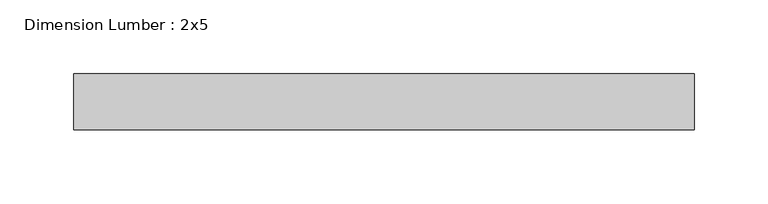
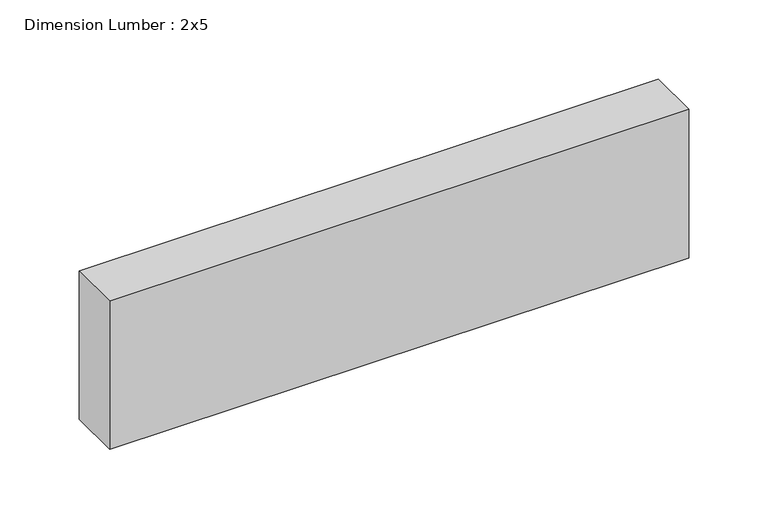
"""IFC4 building model written with IfcOpenShell, lengths in millimetres: beam geometry, Dimension Lumber : 2x5."""

from ifc_helpers import new_model, si_unit, frame, origin, place, context, project, spatial, polyline, outline, extrude, source, transform, mapped, element, save


def dimension_lumber_2x5_5d82a143(model_context):
    return source(origin(), model_context, "Body", "SweptSolid", [
        extrude(outline(polyline([(208.134581, 19.05), (208.134581, -19.05), (-212.987767, -19.05), (-212.987767, 19.05), (208.134581, 19.05)])), frame((0.0, 0.0, -57.15), z_axis=(0.0, 0.0, 1.0), x_axis=(1.0, 0.0, 0.0)), (0.0, 0.0, 1.0), 114.3),
    ])


if __name__ == "__main__":
    model = new_model("IFC4")
    model_context = context("Model", 3, world=origin())
    ifc_project = project(units=[si_unit("LENGTHUNIT", "METRE", prefix="MILLI")], contexts=[model_context])
    site = spatial("IfcSite", under=ifc_project)
    building = spatial("IfcBuilding", under=site)
    placement = place(None, origin())
    dimension_lumber_2x5_shape = dimension_lumber_2x5_5d82a143(model_context)
    element("IfcBeam", 1, ObjectType="Dimension Lumber : 2x5", at=placement, inside=building, context=model_context, shape_type="MappedRepresentation", body=[
        mapped(dimension_lumber_2x5_shape, transform((0.0, 0.0, 0.0), x_axis=(1.0, 0.0, 0.0), y_axis=(0.0, 1.0, 0.0), z_axis=(0.0, 0.0, 1.0))),
    ])
    save(model, "model.ifc")
